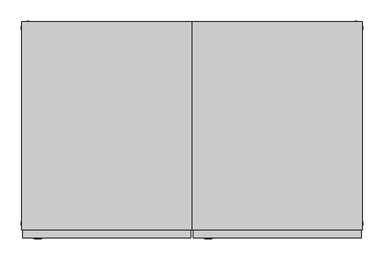
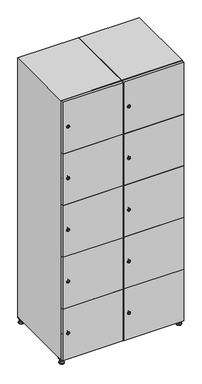
"""IFC4 building model written with IfcOpenShell, lengths in millimetres: furniture geometry."""

from ifc_helpers import new_model, si_unit, point, frame, frame_2d, origin, origin_with_axes, place, context, project, spatial, polyline, circle_curve, trimmed, segment, composite_curve, outline, extrude, faceted_brep, source, transform, mapped, element, save
from ifc_brep_helpers import plane_surface, revolved_surface, advanced_brep


def furniture_cd01f0f2(model_context):
    return source(origin(), model_context, "Body", "SolidModel", [
        extrude(outline(polyline([(600.0, 245.0), (600.0, 215.0), (570.0, 215.0), (570.0, 245.0), (600.0, 245.0)]), holes=[polyline([(598.0, 243.0), (572.0, 243.0), (572.0, 217.0), (598.0, 217.0), (598.0, 243.0)])]), frame((0.0, 0.0, 28.5), z_axis=(0.0, 0.0, 1.0), x_axis=(1.0, 0.0, 0.0)), (0.0, 0.0, 1.0), 6.5),
        extrude(outline(polyline([(570.0, -245.0), (570.0, -215.0), (600.0, -215.0), (600.0, -245.0), (570.0, -245.0)]), holes=[polyline([(572.0, -243.0), (598.0, -243.0), (598.0, -217.0), (572.0, -217.0), (572.0, -243.0)])]), frame((0.0, 0.0, 28.5), z_axis=(0.0, 0.0, 1.0), x_axis=(1.0, 0.0, 0.0)), (0.0, 0.0, 1.0), 6.5),
        extrude(outline(polyline([(-170.0, 245.0), (-170.0, 215.0), (-200.0, 215.0), (-200.0, 245.0), (-170.0, 245.0)]), holes=[polyline([(-172.0, 243.0), (-198.0, 243.0), (-198.0, 217.0), (-172.0, 217.0), (-172.0, 243.0)])]), frame((0.0, 0.0, 28.5), z_axis=(0.0, 0.0, 1.0), x_axis=(1.0, 0.0, 0.0)), (0.0, 0.0, 1.0), 6.5),
        extrude(outline(polyline([(-170.0, -215.0), (-170.0, -245.0), (-200.0, -245.0), (-200.0, -215.0), (-170.0, -215.0)]), holes=[polyline([(-198.0, -243.0), (-172.0, -243.0), (-172.0, -217.0), (-198.0, -217.0), (-198.0, -243.0)])]), frame((0.0, 0.0, 28.5), z_axis=(0.0, 0.0, 1.0), x_axis=(1.0, 0.0, 0.0)), (0.0, 0.0, 1.0), 6.5),
        extrude(outline(composite_curve([segment(trimmed(circle_curve(frame_2d((-185.0, 230.0)), 5.0), [point((-180.0, 230.0))], [point((-190.0, 230.0))], False, "CARTESIAN"), True, "CONTINUOUS"), segment(trimmed(circle_curve(frame_2d((-185.0, 230.0)), 5.0), [point((-190.0, 230.0))], [point((-180.0, 230.0))], False, "CARTESIAN"), True, "CONTINUOUS")], self_intersect=False)), frame((0.0, 0.0, 19.6), z_axis=(0.0, 0.0, 1.0), x_axis=(1.0, 0.0, 0.0)), (0.0, 0.0, 1.0), 15.4),
        extrude(outline(composite_curve([segment(trimmed(circle_curve(frame_2d((-185.0, -230.0)), 5.0), [point((-180.0, -230.0))], [point((-190.0, -230.0))], False, "CARTESIAN"), True, "CONTINUOUS"), segment(trimmed(circle_curve(frame_2d((-185.0, -230.0)), 5.0), [point((-190.0, -230.0))], [point((-180.0, -230.0))], False, "CARTESIAN"), True, "CONTINUOUS")], self_intersect=False)), frame((0.0, 0.0, 19.6), z_axis=(0.0, 0.0, 1.0), x_axis=(1.0, 0.0, 0.0)), (0.0, 0.0, 1.0), 15.4),
        extrude(outline(composite_curve([segment(trimmed(circle_curve(frame_2d((585.0, 230.0)), 5.0), [point((590.0, 230.0))], [point((580.0, 230.0))], False, "CARTESIAN"), True, "CONTINUOUS"), segment(trimmed(circle_curve(frame_2d((585.0, 230.0)), 5.0), [point((580.0, 230.0))], [point((590.0, 230.0))], False, "CARTESIAN"), True, "CONTINUOUS")], self_intersect=False)), frame((0.0, 0.0, 19.6), z_axis=(0.0, 0.0, 1.0), x_axis=(1.0, 0.0, 0.0)), (0.0, 0.0, 1.0), 15.4),
        extrude(outline(polyline([(573.4529946, 230.0), (579.2264973, 240.0), (590.7735027, 240.0), (596.5470054, 230.0), (590.7735027, 220.0), (579.2264973, 220.0), (573.4529946, 230.0)])), frame((0.0, 0.0, 13.6), z_axis=(0.0, 0.0, 1.0), x_axis=(1.0, 0.0, 0.0)), (0.0, 0.0, 1.0), 6.0),
        extrude(outline(composite_curve([segment(trimmed(circle_curve(frame_2d((585.0, -230.0)), 5.0), [point((590.0, -230.0))], [point((580.0, -230.0))], False, "CARTESIAN"), True, "CONTINUOUS"), segment(trimmed(circle_curve(frame_2d((585.0, -230.0)), 5.0), [point((580.0, -230.0))], [point((590.0, -230.0))], False, "CARTESIAN"), True, "CONTINUOUS")], self_intersect=False)), frame((0.0, 0.0, 19.6), z_axis=(0.0, 0.0, 1.0), x_axis=(1.0, 0.0, 0.0)), (0.0, 0.0, 1.0), 15.4),
        extrude(outline(polyline([(573.4529946, -230.0), (579.2264973, -220.0), (590.7735027, -220.0), (596.5470054, -230.0), (590.7735027, -240.0), (579.2264973, -240.0), (573.4529946, -230.0)])), frame((0.0, 0.0, 13.6), z_axis=(0.0, 0.0, 1.0), x_axis=(1.0, 0.0, 0.0)), (0.0, 0.0, 1.0), 6.0),
        extrude(outline(composite_curve([segment(trimmed(circle_curve(frame_2d((585.0, 230.0)), 5.0), [point((590.0, 230.0))], [point((580.0, 230.0))], False, "CARTESIAN"), True, "CONTINUOUS"), segment(trimmed(circle_curve(frame_2d((585.0, 230.0)), 5.0), [point((580.0, 230.0))], [point((590.0, 230.0))], False, "CARTESIAN"), True, "CONTINUOUS")], self_intersect=False)), frame((0.0, 0.0, 12.1), z_axis=(0.0, 0.0, 1.0), x_axis=(1.0, 0.0, 0.0)), (0.0, 0.0, 1.0), 1.5),
        extrude(outline(composite_curve([segment(trimmed(circle_curve(frame_2d((585.0, -230.0)), 5.0), [point((590.0, -230.0))], [point((580.0, -230.0))], False, "CARTESIAN"), True, "CONTINUOUS"), segment(trimmed(circle_curve(frame_2d((585.0, -230.0)), 5.0), [point((580.0, -230.0))], [point((590.0, -230.0))], False, "CARTESIAN"), True, "CONTINUOUS")], self_intersect=False)), frame((0.0, 0.0, 12.1), z_axis=(0.0, 0.0, 1.0), x_axis=(1.0, 0.0, 0.0)), (0.0, 0.0, 1.0), 1.5),
        extrude(outline(polyline([(-196.5470054, 230.0), (-190.7735027, 240.0), (-179.2264973, 240.0), (-173.4529946, 230.0), (-179.2264973, 220.0), (-190.7735027, 220.0), (-196.5470054, 230.0)])), frame((0.0, 0.0, 13.6), z_axis=(0.0, 0.0, 1.0), x_axis=(1.0, 0.0, 0.0)), (0.0, 0.0, 1.0), 6.0),
        extrude(outline(polyline([(-196.5470054, -230.0), (-190.7735027, -220.0), (-179.2264973, -220.0), (-173.4529946, -230.0), (-179.2264973, -240.0), (-190.7735027, -240.0), (-196.5470054, -230.0)])), frame((0.0, 0.0, 13.6), z_axis=(0.0, 0.0, 1.0), x_axis=(1.0, 0.0, 0.0)), (0.0, 0.0, 1.0), 6.0),
        extrude(outline(composite_curve([segment(trimmed(circle_curve(frame_2d((-185.0, 230.0)), 5.0), [point((-185.0, 235.0))], [point((-185.0, 225.0))], False, "CARTESIAN"), True, "CONTINUOUS"), segment(trimmed(circle_curve(frame_2d((-185.0, 230.0)), 5.0), [point((-185.0, 225.0))], [point((-185.0, 235.0))], False, "CARTESIAN"), True, "CONTINUOUS")], self_intersect=False)), frame((0.0, 0.0, 12.1), z_axis=(0.0, 0.0, 1.0), x_axis=(1.0, 0.0, 0.0)), (0.0, 0.0, 1.0), 1.5),
        extrude(outline(composite_curve([segment(trimmed(circle_curve(frame_2d((-185.0, -230.0)), 5.0), [point((-180.0, -230.0))], [point((-190.0, -230.0))], False, "CARTESIAN"), True, "CONTINUOUS"), segment(trimmed(circle_curve(frame_2d((-185.0, -230.0)), 5.0), [point((-190.0, -230.0))], [point((-180.0, -230.0))], False, "CARTESIAN"), True, "CONTINUOUS")], self_intersect=False)), frame((0.0, 0.0, 12.1), z_axis=(0.0, 0.0, 1.0), x_axis=(1.0, 0.0, 0.0)), (0.0, 0.0, 1.0), 1.5),
        extrude(outline(composite_curve([segment(trimmed(circle_curve(frame_2d((585.0, 230.0)), 15.75), [point((600.75, 230.0))], [point((569.25, 230.0))], False, "CARTESIAN"), True, "CONTINUOUS"), segment(trimmed(circle_curve(frame_2d((585.0, 230.0)), 15.75), [point((569.25, 230.0))], [point((600.75, 230.0))], False, "CARTESIAN"), True, "CONTINUOUS")], self_intersect=False)), origin_with_axes(), (0.0, 0.0, 1.0), 5.1),
        extrude(outline(composite_curve([segment(trimmed(circle_curve(frame_2d((585.0, -230.0)), 15.75), [point((585.0, -214.25))], [point((585.0, -245.75))], False, "CARTESIAN"), True, "CONTINUOUS"), segment(trimmed(circle_curve(frame_2d((585.0, -230.0)), 15.75), [point((585.0, -245.75))], [point((585.0, -214.25))], False, "CARTESIAN"), True, "CONTINUOUS")], self_intersect=False)), origin_with_axes(), (0.0, 0.0, 1.0), 5.1),
        extrude(outline(composite_curve([segment(trimmed(circle_curve(frame_2d((-185.0, -230.0)), 15.75), [point((-169.25, -230.0))], [point((-200.75, -230.0))], False, "CARTESIAN"), True, "CONTINUOUS"), segment(trimmed(circle_curve(frame_2d((-185.0, -230.0)), 15.75), [point((-200.75, -230.0))], [point((-169.25, -230.0))], False, "CARTESIAN"), True, "CONTINUOUS")], self_intersect=False)), origin_with_axes(), (0.0, 0.0, 1.0), 5.1),
        extrude(outline(composite_curve([segment(trimmed(circle_curve(frame_2d((-185.0, 230.0)), 15.75), [point((-169.25, 230.0))], [point((-200.75, 230.0))], False, "CARTESIAN"), True, "CONTINUOUS"), segment(trimmed(circle_curve(frame_2d((-185.0, 230.0)), 15.75), [point((-200.75, 230.0))], [point((-169.25, 230.0))], False, "CARTESIAN"), True, "CONTINUOUS")], self_intersect=False)), origin_with_axes(), (0.0, 0.0, 1.0), 5.1),
        advanced_brep(
        [(-185.0, 239.5, 12.1), (-185.0, 220.5, 12.1), (-185.0, 214.25, 5.1), (-185.0, 245.75, 5.1)],
        [
            (0, 1, circle_curve(frame((-185.0, 230.0, 12.1), z_axis=(0.0, 0.0, -1.0), x_axis=(0.0, 1.0, 0.0)), 9.5)),
            (1, 2),
            (2, 3, circle_curve(frame((-185.0, 230.0, 5.1), z_axis=(0.0, 0.0, 1.0), x_axis=(0.0, 1.0, 0.0)), 15.75)),
            (3, 0),
            (1, 0, circle_curve(frame((-185.0, 230.0, 12.1), z_axis=(0.0, 0.0, -1.0), x_axis=(0.0, -1.0, 0.0)), 9.5)),
            (3, 2, circle_curve(frame((-185.0, 230.0, 5.1), z_axis=(0.0, 0.0, 1.0), x_axis=(0.0, -1.0, 0.0)), 15.75)),
        ],
        [
            revolved_surface(polyline([(-185.0, 220.5, 12.099999999999998), (-185.0, 214.25, 5.099999999999998)]), (-185.0, 230.0, 22.74), (0.0, 0.0, -1.0)),
            revolved_surface(polyline([(-185.0, 239.5, 12.099999999999998), (-185.0, 245.75, 5.099999999999998)]), (-185.0, 230.0, 22.74), (0.0, 0.0, -1.0)),
            plane_surface(frame((-185.0, 230.0, 5.1), z_axis=(0.0, 0.0, -1.0), x_axis=(1.0, 0.0, 0.0))),
            plane_surface(frame((-185.0, 230.0, 12.1), z_axis=(0.0, 0.0, 1.0), x_axis=(1.0, 0.0, 0.0))),
        ],
        [
            (0, [[1, 2, 3, 4]]),
            (1, [[5, -4, 6, -2]]),
            (2, [[-3, -6]]),
            (3, [[-5, -1]]),
        ],
    ),
        advanced_brep(
        [(585.0, 239.5, 12.1), (585.0, 220.5, 12.1), (585.0, 214.25, 5.1), (585.0, 245.75, 5.1)],
        [
            (0, 1, circle_curve(frame((585.0, 230.0, 12.1), z_axis=(0.0, 0.0, -1.0), x_axis=(0.0, 1.0, 0.0)), 9.5)),
            (1, 2),
            (2, 3, circle_curve(frame((585.0, 230.0, 5.1), z_axis=(0.0, 0.0, 1.0), x_axis=(0.0, 1.0, 0.0)), 15.75)),
            (3, 0),
            (1, 0, circle_curve(frame((585.0, 230.0, 12.1), z_axis=(0.0, 0.0, -1.0), x_axis=(0.0, -1.0, 0.0)), 9.5)),
            (3, 2, circle_curve(frame((585.0, 230.0, 5.1), z_axis=(0.0, 0.0, 1.0), x_axis=(0.0, -1.0, 0.0)), 15.75)),
        ],
        [
            revolved_surface(polyline([(585.0, 220.5, 12.099999999999998), (585.0, 214.25, 5.099999999999998)]), (585.0, 230.0, 22.74), (0.0, 0.0, -1.0)),
            revolved_surface(polyline([(585.0, 239.5, 12.099999999999998), (585.0, 245.75, 5.099999999999998)]), (585.0, 230.0, 22.74), (0.0, 0.0, -1.0)),
            plane_surface(frame((585.0, 230.0, 5.1), z_axis=(0.0, 0.0, -1.0), x_axis=(1.0, 0.0, 0.0))),
            plane_surface(frame((585.0, 230.0, 12.1), z_axis=(0.0, 0.0, 1.0), x_axis=(1.0, 0.0, 0.0))),
        ],
        [
            (0, [[1, 2, 3, 4]]),
            (1, [[5, -4, 6, -2]]),
            (2, [[-3, -6]]),
            (3, [[-5, -1]]),
        ],
    ),
        advanced_brep(
        [(600.75, -230.0, 5.1), (569.25, -230.0, 5.1), (575.5, -230.0, 12.1), (594.5, -230.0, 12.1)],
        [
            (0, 1, circle_curve(frame((585.0, -230.0, 5.1), z_axis=(0.0, 0.0, 1.0), x_axis=(1.0, 0.0, 0.0)), 15.75)),
            (1, 2),
            (2, 3, circle_curve(frame((585.0, -230.0, 12.1), z_axis=(0.0, 0.0, -1.0), x_axis=(1.0, 0.0, 0.0)), 9.5)),
            (3, 0),
            (1, 0, circle_curve(frame((585.0, -230.0, 5.1), z_axis=(0.0, 0.0, 1.0), x_axis=(-1.0, 0.0, 0.0)), 15.75)),
            (3, 2, circle_curve(frame((585.0, -230.0, 12.1), z_axis=(0.0, 0.0, -1.0), x_axis=(-1.0, 0.0, 0.0)), 9.5)),
        ],
        [
            revolved_surface(polyline([(594.5, -230.0, 12.099999999999998), (600.75, -230.0, 5.099999999999998)]), (585.0, -230.0, 22.74), (0.0, 0.0, -1.0)),
            revolved_surface(polyline([(575.5, -230.0, 12.099999999999998), (569.25, -230.0, 5.099999999999998)]), (585.0, -230.0, 22.74), (0.0, 0.0, -1.0)),
            plane_surface(frame((585.0, -230.0, 12.1), z_axis=(0.0, 0.0, 1.0), x_axis=(0.0, 1.0, 0.0))),
            plane_surface(frame((585.0, -230.0, 5.1), z_axis=(0.0, 0.0, -1.0), x_axis=(0.0, 1.0, 0.0))),
        ],
        [
            (0, [[1, 2, 3, 4]]),
            (1, [[5, -4, 6, -2]]),
            (2, [[-3, -6]]),
            (3, [[-5, -1]]),
        ],
    ),
        advanced_brep(
        [(-169.25, -230.0, 5.1), (-200.75, -230.0, 5.1), (-194.5, -230.0, 12.1), (-175.5, -230.0, 12.1)],
        [
            (0, 1, circle_curve(frame((-185.0, -230.0, 5.1), z_axis=(0.0, 0.0, 1.0), x_axis=(1.0, 0.0, 0.0)), 15.75)),
            (1, 2),
            (2, 3, circle_curve(frame((-185.0, -230.0, 12.1), z_axis=(0.0, 0.0, -1.0), x_axis=(1.0, 0.0, 0.0)), 9.5)),
            (3, 0),
            (1, 0, circle_curve(frame((-185.0, -230.0, 5.1), z_axis=(0.0, 0.0, 1.0), x_axis=(-1.0, 0.0, 0.0)), 15.75)),
            (3, 2, circle_curve(frame((-185.0, -230.0, 12.1), z_axis=(0.0, 0.0, -1.0), x_axis=(-1.0, 0.0, 0.0)), 9.5)),
        ],
        [
            revolved_surface(polyline([(-175.5, -230.0, 12.099999999999998), (-169.25, -230.0, 5.099999999999998)]), (-185.0, -230.0, 22.74), (0.0, 0.0, -1.0)),
            revolved_surface(polyline([(-194.5, -230.0, 12.099999999999998), (-200.75, -230.0, 5.099999999999998)]), (-185.0, -230.0, 22.74), (0.0, 0.0, -1.0)),
            plane_surface(frame((-185.0, -230.0, 12.1), z_axis=(0.0, 0.0, 1.0), x_axis=(0.0, 1.0, 0.0))),
            plane_surface(frame((-185.0, -230.0, 5.1), z_axis=(0.0, 0.0, -1.0), x_axis=(0.0, 1.0, 0.0))),
        ],
        [
            (0, [[1, 2, 3, 4]]),
            (1, [[5, -4, 6, -2]]),
            (2, [[-3, -6]]),
            (3, [[-5, -1]]),
        ],
    ),
        extrude(outline(composite_curve([segment(trimmed(circle_curve(frame_2d((217.4, 211.2010534)), 7.0), [point((224.4, 211.2010534))], [point((210.4, 211.2010534))], False, "CARTESIAN"), True, "CONTINUOUS"), segment(polyline([(210.4, 211.2010534), (210.4, 239.2010534)]), True, "CONTINUOUS"), segment(trimmed(circle_curve(frame_2d((217.4, 239.2010534)), 7.0), [point((210.4, 239.2010534))], [point((224.4, 239.2010534))], False, "CARTESIAN"), True, "CONTINUOUS"), segment(polyline([(224.4, 239.2010534), (224.4, 211.2010534)]), True, "CONTINUOUS")], self_intersect=False)), frame((0.0, -245.0, 0.0), z_axis=(0.0, 1.0, 0.0), x_axis=(0.0, 0.0, 1.0)), (0.0, 0.0, 1.0), 2.0),
        advanced_brep(
        [(246.5, -265.2, 217.4), (229.5, -265.2, 217.4), (233.0, -265.2, 216.15), (233.0, -265.2, 218.65), (243.0, -265.2, 218.65), (243.0, -265.2, 216.15), (248.5, -263.0, 217.4), (227.5, -263.0, 217.4), (233.0, -263.0, 218.65), (233.0, -263.0, 216.15), (243.0, -263.0, 216.15), (243.0, -263.0, 218.65)],
        [
            (0, 1, circle_curve(frame((238.0, -265.2, 217.4), z_axis=(0.0, -1.0, 0.0), x_axis=(1.0, 0.0, 0.0)), 8.5)),
            (1, 0, circle_curve(frame((238.0, -265.2, 217.4), z_axis=(0.0, -1.0, 0.0), x_axis=(-1.0, 0.0, 0.0)), 8.5)),
            (2, 3),
            (3, 4),
            (4, 5),
            (5, 2),
            (6, 7, circle_curve(frame((238.0, -263.0, 217.4), z_axis=(0.0, 1.0, 0.0), x_axis=(-1.0, 0.0, 0.0)), 10.5)),
            (7, 6, circle_curve(frame((238.0, -263.0, 217.4), z_axis=(0.0, 1.0, 0.0), x_axis=(1.0, 0.0, 0.0)), 10.5)),
            (8, 9),
            (9, 10),
            (10, 11),
            (11, 8),
            (0, 6),
            (7, 1),
            (8, 3),
            (2, 9),
            (11, 4),
            (10, 5),
        ],
        [
            plane_surface(frame((238.0, -265.2, 217.4), z_axis=(0.0, -1.0, 0.0), x_axis=(0.0, 0.0, 1.0))),
            plane_surface(frame((238.0, -263.0, 217.4), z_axis=(0.0, 1.0, 0.0), x_axis=(0.0, 0.0, 1.0))),
            revolved_surface(polyline([(246.5, -265.2, 217.4), (248.5, -263.0, 217.4)]), (238.0, -274.55, 217.4), (0.0, 1.0, 0.0)),
            revolved_surface(polyline([(229.5, -265.2, 217.4), (227.5, -263.0, 217.4)]), (238.0, -274.55, 217.4), (0.0, 1.0, 0.0)),
            plane_surface(frame((233.0, -263.0, 216.15), z_axis=(1.0, 0.0, 0.0), x_axis=(0.0, -1.0, 0.0))),
            plane_surface(frame((233.0, -263.0, 218.65), z_axis=(0.0, 0.0, -1.0), x_axis=(0.0, -1.0, 0.0))),
            plane_surface(frame((243.0, -263.0, 218.65), z_axis=(-1.0, 0.0, 0.0), x_axis=(0.0, -1.0, 0.0))),
            plane_surface(frame((243.0, -263.0, 216.15), z_axis=(0.0, 0.0, 1.0), x_axis=(0.0, -1.0, 0.0))),
        ],
        [
            (0, [[1, 2], [3, 4, 5, 6]]),
            (1, [[7, 8], [9, 10, 11, 12]]),
            (2, [[-1, 13, -8, 14]]),
            (3, [[-2, -14, -7, -13]]),
            (4, [[15, -3, 16, -9]]),
            (5, [[-15, -12, 17, -4]]),
            (6, [[-17, -11, 18, -5]]),
            (7, [[-16, -6, -18, -10]]),
        ],
    ),
        extrude(outline(composite_curve([segment(trimmed(circle_curve(frame_2d((576.2, 211.2010534)), 7.0), [point((583.2, 211.2010534))], [point((569.2, 211.2010534))], False, "CARTESIAN"), True, "CONTINUOUS"), segment(polyline([(569.2, 211.2010534), (569.2, 239.2010534)]), True, "CONTINUOUS"), segment(trimmed(circle_curve(frame_2d((576.2, 239.2010534)), 7.0), [point((569.2, 239.2010534))], [point((583.2, 239.2010534))], False, "CARTESIAN"), True, "CONTINUOUS"), segment(polyline([(583.2, 239.2010534), (583.2, 211.2010534)]), True, "CONTINUOUS")], self_intersect=False)), frame((0.0, -245.0, 0.0), z_axis=(0.0, 1.0, 0.0), x_axis=(0.0, 0.0, 1.0)), (0.0, 0.0, 1.0), 2.0),
        advanced_brep(
        [(246.5, -265.2, 576.2), (229.5, -265.2, 576.2), (233.0, -265.2, 574.95), (233.0, -265.2, 577.45), (243.0, -265.2, 577.45), (243.0, -265.2, 574.95), (248.5, -263.0, 576.2), (227.5, -263.0, 576.2), (233.0, -263.0, 577.45), (233.0, -263.0, 574.95), (243.0, -263.0, 574.95), (243.0, -263.0, 577.45)],
        [
            (0, 1, circle_curve(frame((238.0, -265.2, 576.2), z_axis=(0.0, -1.0, 0.0), x_axis=(1.0, 0.0, 0.0)), 8.5)),
            (1, 0, circle_curve(frame((238.0, -265.2, 576.2), z_axis=(0.0, -1.0, 0.0), x_axis=(-1.0, 0.0, 0.0)), 8.5)),
            (2, 3),
            (3, 4),
            (4, 5),
            (5, 2),
            (6, 7, circle_curve(frame((238.0, -263.0, 576.2), z_axis=(0.0, 1.0, 0.0), x_axis=(-1.0, 0.0, 0.0)), 10.5)),
            (7, 6, circle_curve(frame((238.0, -263.0, 576.2), z_axis=(0.0, 1.0, 0.0), x_axis=(1.0, 0.0, 0.0)), 10.5)),
            (8, 9),
            (9, 10),
            (10, 11),
            (11, 8),
            (0, 6),
            (7, 1),
            (8, 3),
            (2, 9),
            (11, 4),
            (10, 5),
        ],
        [
            plane_surface(frame((238.0, -265.2, 576.2), z_axis=(0.0, -1.0, 0.0), x_axis=(0.0, 0.0, 1.0))),
            plane_surface(frame((238.0, -263.0, 576.2), z_axis=(0.0, 1.0, 0.0), x_axis=(0.0, 0.0, 1.0))),
            revolved_surface(polyline([(246.5, -265.2, 576.2), (248.5, -263.0, 576.2)]), (238.0, -274.55, 576.2), (0.0, 1.0, 0.0)),
            revolved_surface(polyline([(229.5, -265.2, 576.2), (227.5, -263.0, 576.2)]), (238.0, -274.55, 576.2), (0.0, 1.0, 0.0)),
            plane_surface(frame((233.0, -263.0, 574.95), z_axis=(1.0, 0.0, 0.0), x_axis=(0.0, -1.0, 0.0))),
            plane_surface(frame((233.0, -263.0, 577.45), z_axis=(0.0, 0.0, -1.0), x_axis=(0.0, -1.0, 0.0))),
            plane_surface(frame((243.0, -263.0, 577.45), z_axis=(-1.0, 0.0, 0.0), x_axis=(0.0, -1.0, 0.0))),
            plane_surface(frame((243.0, -263.0, 574.95), z_axis=(0.0, 0.0, 1.0), x_axis=(0.0, -1.0, 0.0))),
        ],
        [
            (0, [[1, 2], [3, 4, 5, 6]]),
            (1, [[7, 8], [9, 10, 11, 12]]),
            (2, [[-1, 13, -8, 14]]),
            (3, [[-2, -14, -7, -13]]),
            (4, [[15, -3, 16, -9]]),
            (5, [[-15, -12, 17, -4]]),
            (6, [[-17, -11, 18, -5]]),
            (7, [[-16, -6, -18, -10]]),
        ],
    ),
        extrude(outline(composite_curve([segment(trimmed(circle_curve(frame_2d((935.0, 211.2010534)), 7.0), [point((942.0, 211.2010534))], [point((928.0, 211.2010534))], False, "CARTESIAN"), True, "CONTINUOUS"), segment(polyline([(928.0, 211.2010534), (928.0, 239.2010534)]), True, "CONTINUOUS"), segment(trimmed(circle_curve(frame_2d((935.0, 239.2010534)), 7.0), [point((928.0, 239.2010534))], [point((942.0, 239.2010534))], False, "CARTESIAN"), True, "CONTINUOUS"), segment(polyline([(942.0, 239.2010534), (942.0, 211.2010534)]), True, "CONTINUOUS")], self_intersect=False)), frame((0.0, -245.0, 0.0), z_axis=(0.0, 1.0, 0.0), x_axis=(0.0, 0.0, 1.0)), (0.0, 0.0, 1.0), 2.0),
        advanced_brep(
        [(246.5, -265.2, 935.0), (229.5, -265.2, 935.0), (233.0, -265.2, 933.75), (233.0, -265.2, 936.25), (243.0, -265.2, 936.25), (243.0, -265.2, 933.75), (248.5, -263.0, 935.0), (227.5, -263.0, 935.0), (233.0, -263.0, 936.25), (233.0, -263.0, 933.75), (243.0, -263.0, 933.75), (243.0, -263.0, 936.25)],
        [
            (0, 1, circle_curve(frame((238.0, -265.2, 935.0), z_axis=(0.0, -1.0, 0.0), x_axis=(1.0, 0.0, 0.0)), 8.5)),
            (1, 0, circle_curve(frame((238.0, -265.2, 935.0), z_axis=(0.0, -1.0, 0.0), x_axis=(-1.0, 0.0, 0.0)), 8.5)),
            (2, 3),
            (3, 4),
            (4, 5),
            (5, 2),
            (6, 7, circle_curve(frame((238.0, -263.0, 935.0), z_axis=(0.0, 1.0, 0.0), x_axis=(-1.0, 0.0, 0.0)), 10.5)),
            (7, 6, circle_curve(frame((238.0, -263.0, 935.0), z_axis=(0.0, 1.0, 0.0), x_axis=(1.0, 0.0, 0.0)), 10.5)),
            (8, 9),
            (9, 10),
            (10, 11),
            (11, 8),
            (0, 6),
            (7, 1),
            (8, 3),
            (2, 9),
            (11, 4),
            (10, 5),
        ],
        [
            plane_surface(frame((238.0, -265.2, 935.0), z_axis=(0.0, -1.0, 0.0), x_axis=(0.0, 0.0, 1.0))),
            plane_surface(frame((238.0, -263.0, 935.0), z_axis=(0.0, 1.0, 0.0), x_axis=(0.0, 0.0, 1.0))),
            revolved_surface(polyline([(246.5, -265.2, 935.0), (248.5, -263.0, 935.0)]), (238.0, -274.55, 935.0), (0.0, 1.0, 0.0)),
            revolved_surface(polyline([(229.5, -265.2, 935.0), (227.5, -263.0, 935.0)]), (238.0, -274.55, 935.0), (0.0, 1.0, 0.0)),
            plane_surface(frame((233.0, -263.0, 933.75), z_axis=(1.0, 0.0, 0.0), x_axis=(0.0, -1.0, 0.0))),
            plane_surface(frame((233.0, -263.0, 936.25), z_axis=(0.0, 0.0, -1.0), x_axis=(0.0, -1.0, 0.0))),
            plane_surface(frame((243.0, -263.0, 936.25), z_axis=(-1.0, 0.0, 0.0), x_axis=(0.0, -1.0, 0.0))),
            plane_surface(frame((243.0, -263.0, 933.75), z_axis=(0.0, 0.0, 1.0), x_axis=(0.0, -1.0, 0.0))),
        ],
        [
            (0, [[1, 2], [3, 4, 5, 6]]),
            (1, [[7, 8], [9, 10, 11, 12]]),
            (2, [[-1, 13, -8, 14]]),
            (3, [[-2, -14, -7, -13]]),
            (4, [[15, -3, 16, -9]]),
            (5, [[-15, -12, 17, -4]]),
            (6, [[-17, -11, 18, -5]]),
            (7, [[-16, -6, -18, -10]]),
        ],
    ),
        extrude(outline(composite_curve([segment(trimmed(circle_curve(frame_2d((1293.8, 211.2010534)), 7.0), [point((1300.8, 211.2010534))], [point((1286.8, 211.2010534))], False, "CARTESIAN"), True, "CONTINUOUS"), segment(polyline([(1286.8, 211.2010534), (1286.8, 239.2010534)]), True, "CONTINUOUS"), segment(trimmed(circle_curve(frame_2d((1293.8, 239.2010534)), 7.0), [point((1286.8, 239.2010534))], [point((1300.8, 239.2010534))], False, "CARTESIAN"), True, "CONTINUOUS"), segment(polyline([(1300.8, 239.2010534), (1300.8, 211.2010534)]), True, "CONTINUOUS")], self_intersect=False)), frame((0.0, -245.0, 0.0), z_axis=(0.0, 1.0, 0.0), x_axis=(0.0, 0.0, 1.0)), (0.0, 0.0, 1.0), 2.0),
        advanced_brep(
        [(246.5, -265.2, 1293.8), (229.5, -265.2, 1293.8), (233.0, -265.2, 1292.55), (233.0, -265.2, 1295.05), (243.0, -265.2, 1295.05), (243.0, -265.2, 1292.55), (248.5, -263.0, 1293.8), (227.5, -263.0, 1293.8), (233.0, -263.0, 1295.05), (233.0, -263.0, 1292.55), (243.0, -263.0, 1292.55), (243.0, -263.0, 1295.05)],
        [
            (0, 1, circle_curve(frame((238.0, -265.2, 1293.8), z_axis=(0.0, -1.0, 0.0), x_axis=(1.0, 0.0, 0.0)), 8.5)),
            (1, 0, circle_curve(frame((238.0, -265.2, 1293.8), z_axis=(0.0, -1.0, 0.0), x_axis=(-1.0, 0.0, 0.0)), 8.5)),
            (2, 3),
            (3, 4),
            (4, 5),
            (5, 2),
            (6, 7, circle_curve(frame((238.0, -263.0, 1293.8), z_axis=(0.0, 1.0, 0.0), x_axis=(-1.0, 0.0, 0.0)), 10.5)),
            (7, 6, circle_curve(frame((238.0, -263.0, 1293.8), z_axis=(0.0, 1.0, 0.0), x_axis=(1.0, 0.0, 0.0)), 10.5)),
            (8, 9),
            (9, 10),
            (10, 11),
            (11, 8),
            (0, 6),
            (7, 1),
            (8, 3),
            (2, 9),
            (11, 4),
            (10, 5),
        ],
        [
            plane_surface(frame((238.0, -265.2, 1293.8), z_axis=(0.0, -1.0, 0.0), x_axis=(0.0, 0.0, 1.0))),
            plane_surface(frame((238.0, -263.0, 1293.8), z_axis=(0.0, 1.0, 0.0), x_axis=(0.0, 0.0, 1.0))),
            revolved_surface(polyline([(246.5, -265.2, 1293.8), (248.5, -263.0, 1293.8)]), (238.0, -274.55, 1293.8), (0.0, 1.0, 0.0)),
            revolved_surface(polyline([(229.5, -265.2, 1293.8), (227.5, -263.0, 1293.8)]), (238.0, -274.55, 1293.8), (0.0, 1.0, 0.0)),
            plane_surface(frame((233.0, -263.0, 1292.55), z_axis=(1.0, 0.0, 0.0), x_axis=(0.0, -1.0, 0.0))),
            plane_surface(frame((233.0, -263.0, 1295.05), z_axis=(0.0, 0.0, -1.0), x_axis=(0.0, -1.0, 0.0))),
            plane_surface(frame((243.0, -263.0, 1295.05), z_axis=(-1.0, 0.0, 0.0), x_axis=(0.0, -1.0, 0.0))),
            plane_surface(frame((243.0, -263.0, 1292.55), z_axis=(0.0, 0.0, 1.0), x_axis=(0.0, -1.0, 0.0))),
        ],
        [
            (0, [[1, 2], [3, 4, 5, 6]]),
            (1, [[7, 8], [9, 10, 11, 12]]),
            (2, [[-1, 13, -8, 14]]),
            (3, [[-2, -14, -7, -13]]),
            (4, [[15, -3, 16, -9]]),
            (5, [[-15, -12, 17, -4]]),
            (6, [[-17, -11, 18, -5]]),
            (7, [[-16, -6, -18, -10]]),
        ],
    ),
        extrude(outline(composite_curve([segment(trimmed(circle_curve(frame_2d((1652.6, 211.2010534)), 7.0), [point((1659.6, 211.2010534))], [point((1645.6, 211.2010534))], False, "CARTESIAN"), True, "CONTINUOUS"), segment(polyline([(1645.6, 211.2010534), (1645.6, 239.2010534)]), True, "CONTINUOUS"), segment(trimmed(circle_curve(frame_2d((1652.6, 239.2010534)), 7.0), [point((1645.6, 239.2010534))], [point((1659.6, 239.2010534))], False, "CARTESIAN"), True, "CONTINUOUS"), segment(polyline([(1659.6, 239.2010534), (1659.6, 211.2010534)]), True, "CONTINUOUS")], self_intersect=False)), frame((0.0, -245.0, 0.0), z_axis=(0.0, 1.0, 0.0), x_axis=(0.0, 0.0, 1.0)), (0.0, 0.0, 1.0), 2.0),
        advanced_brep(
        [(246.5, -265.2, 1652.6), (229.5, -265.2, 1652.6), (233.0, -265.2, 1651.35), (233.0, -265.2, 1653.85), (243.0, -265.2, 1653.85), (243.0, -265.2, 1651.35), (248.5, -263.0, 1652.6), (227.5, -263.0, 1652.6), (233.0, -263.0, 1653.85), (233.0, -263.0, 1651.35), (243.0, -263.0, 1651.35), (243.0, -263.0, 1653.85)],
        [
            (0, 1, circle_curve(frame((238.0, -265.2, 1652.6), z_axis=(0.0, -1.0, 0.0), x_axis=(1.0, 0.0, 0.0)), 8.5)),
            (1, 0, circle_curve(frame((238.0, -265.2, 1652.6), z_axis=(0.0, -1.0, 0.0), x_axis=(-1.0, 0.0, 0.0)), 8.5)),
            (2, 3),
            (3, 4),
            (4, 5),
            (5, 2),
            (6, 7, circle_curve(frame((238.0, -263.0, 1652.6), z_axis=(0.0, 1.0, 0.0), x_axis=(-1.0, 0.0, 0.0)), 10.5)),
            (7, 6, circle_curve(frame((238.0, -263.0, 1652.6), z_axis=(0.0, 1.0, 0.0), x_axis=(1.0, 0.0, 0.0)), 10.5)),
            (8, 9),
            (9, 10),
            (10, 11),
            (11, 8),
            (0, 6),
            (7, 1),
            (8, 3),
            (2, 9),
            (11, 4),
            (10, 5),
        ],
        [
            plane_surface(frame((238.0, -265.2, 1652.6), z_axis=(0.0, -1.0, 0.0), x_axis=(0.0, 0.0, 1.0))),
            plane_surface(frame((238.0, -263.0, 1652.6), z_axis=(0.0, 1.0, 0.0), x_axis=(0.0, 0.0, 1.0))),
            revolved_surface(polyline([(246.5, -265.2, 1652.6), (248.5, -263.0, 1652.6)]), (238.0, -274.55, 1652.6), (0.0, 1.0, 0.0)),
            revolved_surface(polyline([(229.5, -265.2, 1652.6), (227.5, -263.0, 1652.6)]), (238.0, -274.55, 1652.6), (0.0, 1.0, 0.0)),
            plane_surface(frame((233.0, -263.0, 1651.35), z_axis=(1.0, 0.0, 0.0), x_axis=(0.0, -1.0, 0.0))),
            plane_surface(frame((233.0, -263.0, 1653.85), z_axis=(0.0, 0.0, -1.0), x_axis=(0.0, -1.0, 0.0))),
            plane_surface(frame((243.0, -263.0, 1653.85), z_axis=(-1.0, 0.0, 0.0), x_axis=(0.0, -1.0, 0.0))),
            plane_surface(frame((243.0, -263.0, 1651.35), z_axis=(0.0, 0.0, 1.0), x_axis=(0.0, -1.0, 0.0))),
        ],
        [
            (0, [[1, 2], [3, 4, 5, 6]]),
            (1, [[7, 8], [9, 10, 11, 12]]),
            (2, [[-1, 13, -8, 14]]),
            (3, [[-2, -14, -7, -13]]),
            (4, [[15, -3, 16, -9]]),
            (5, [[-15, -12, 17, -4]]),
            (6, [[-17, -11, 18, -5]]),
            (7, [[-16, -6, -18, -10]]),
        ],
    ),
        extrude(outline(polyline([(597.0, -245.0), (597.0, -263.0), (203.0, -263.0), (203.0, -245.0), (597.0, -245.0)])), frame((0.0, 0.0, 755.1), z_axis=(0.0, 0.0, 1.0), x_axis=(1.0, 0.0, 0.0)), (0.0, 0.0, 1.0), 359.8),
        extrude(outline(polyline([(597.0, -245.0), (597.0, -263.0), (203.0, -263.0), (203.0, -245.0), (597.0, -245.0)])), frame((0.0, 0.0, 396.3), z_axis=(0.0, 0.0, 1.0), x_axis=(1.0, 0.0, 0.0)), (0.0, 0.0, 1.0), 359.8),
        extrude(outline(polyline([(597.0, -245.0), (597.0, -263.0), (203.0, -263.0), (203.0, -245.0), (597.0, -245.0)])), frame((0.0, 0.0, 1113.9), z_axis=(0.0, 0.0, 1.0), x_axis=(1.0, 0.0, 0.0)), (0.0, 0.0, 1.0), 358.8),
        extrude(outline(polyline([(203.0, -263.0), (203.0, -245.0), (597.0, -245.0), (597.0, -263.0), (203.0, -263.0)])), frame((0.0, 0.0, 1473.7), z_axis=(0.0, 0.0, 1.0), x_axis=(1.0, 0.0, 0.0)), (0.0, 0.0, 1.0), 358.3),
        extrude(outline(polyline([(597.0, -245.0), (597.0, -263.0), (203.0, -263.0), (203.0, -245.0), (597.0, -245.0)])), frame((0.0, 0.0, 38.0), z_axis=(0.0, 0.0, 1.0), x_axis=(1.0, 0.0, 0.0)), (0.0, 0.0, 1.0), 359.3),
        extrude(outline(polyline([(579.6, 242.0), (579.6, -227.0), (220.4, -227.0), (220.4, 242.0), (579.6, 242.0)])), frame((0.0, 0.0, 1446.68), z_axis=(0.0, 0.0, 1.0), x_axis=(1.0, 0.0, 0.0)), (0.0, 0.0, 1.0), 20.4),
        extrude(outline(polyline([(579.6, 242.0), (579.6, -227.0), (220.4, -227.0), (220.4, 242.0), (579.6, 242.0)])), frame((0.0, 0.0, 1098.76), z_axis=(0.0, 0.0, 1.0), x_axis=(1.0, 0.0, 0.0)), (0.0, 0.0, 1.0), 20.4),
        extrude(outline(polyline([(579.6, 242.0), (579.6, -227.0), (220.4, -227.0), (220.4, 242.0), (579.6, 242.0)])), frame((0.0, 0.0, 750.84), z_axis=(0.0, 0.0, 1.0), x_axis=(1.0, 0.0, 0.0)), (0.0, 0.0, 1.0), 20.4),
        extrude(outline(polyline([(220.4, 242.0), (579.6, 242.0), (579.6, -227.0), (220.4, -227.0), (220.4, 242.0)])), frame((0.0, 0.0, 402.92), z_axis=(0.0, 0.0, 1.0), x_axis=(1.0, 0.0, 0.0)), (0.0, 0.0, 1.0), 20.4),
        faceted_brep([(600.0, -245.0, 35.0), (600.0, -245.0, 1835.0), (200.0, -245.0, 1835.0), (200.0, -245.0, 35.0), (579.6, -245.0, 1804.8), (579.6, -245.0, 65.2), (220.4, -245.0, 65.2), (220.4, -245.0, 1804.8), (600.0, 245.0, 35.0), (200.0, 245.0, 35.0), (600.0, 245.0, 1835.0), (200.0, 245.0, 1835.0), (579.6, 242.0, 1804.8), (579.6, 242.0, 65.2), (200.0, 245.0, 1804.8), (220.4, 242.0, 1804.8), (220.4, 242.0, 65.2)], [[[0, 1, 2, 3], [4, 5, 6, 7]], [[8, 0, 3, 9]], [[1, 0, 8, 10]], [[1, 10, 11, 2]], [[4, 12, 13, 5]], [[9, 3, 2, 11, 14]], [[10, 8, 9, 14, 11]], [[12, 15, 16, 13]], [[15, 7, 6, 16]], [[4, 7, 15, 12]], [[6, 5, 13, 16]]]),
        extrude(outline(composite_curve([segment(trimmed(circle_curve(frame_2d((217.4, -188.7989466)), 7.0), [point((224.4, -188.7989466))], [point((210.4, -188.7989466))], False, "CARTESIAN"), True, "CONTINUOUS"), segment(polyline([(210.4, -188.7989466), (210.4, -160.7989466)]), True, "CONTINUOUS"), segment(trimmed(circle_curve(frame_2d((217.4, -160.7989466)), 7.0), [point((210.4, -160.7989466))], [point((224.4, -160.7989466))], False, "CARTESIAN"), True, "CONTINUOUS"), segment(polyline([(224.4, -160.7989466), (224.4, -188.7989466)]), True, "CONTINUOUS")], self_intersect=False)), frame((0.0, -245.0, 0.0), z_axis=(0.0, 1.0, 0.0), x_axis=(0.0, 0.0, 1.0)), (0.0, 0.0, 1.0), 2.0),
        advanced_brep(
        [(-153.5, -265.2, 217.4), (-170.5, -265.2, 217.4), (-167.0, -265.2, 216.15), (-167.0, -265.2, 218.65), (-157.0, -265.2, 218.65), (-157.0, -265.2, 216.15), (-151.5, -263.0, 217.4), (-172.5, -263.0, 217.4), (-167.0, -263.0, 218.65), (-167.0, -263.0, 216.15), (-157.0, -263.0, 216.15), (-157.0, -263.0, 218.65)],
        [
            (0, 1, circle_curve(frame((-162.0, -265.2, 217.4), z_axis=(0.0, -1.0, 0.0), x_axis=(1.0, 0.0, 0.0)), 8.5)),
            (1, 0, circle_curve(frame((-162.0, -265.2, 217.4), z_axis=(0.0, -1.0, 0.0), x_axis=(-1.0, 0.0, 0.0)), 8.5)),
            (2, 3),
            (3, 4),
            (4, 5),
            (5, 2),
            (6, 7, circle_curve(frame((-162.0, -263.0, 217.4), z_axis=(0.0, 1.0, 0.0), x_axis=(-1.0, 0.0, 0.0)), 10.5)),
            (7, 6, circle_curve(frame((-162.0, -263.0, 217.4), z_axis=(0.0, 1.0, 0.0), x_axis=(1.0, 0.0, 0.0)), 10.5)),
            (8, 9),
            (9, 10),
            (10, 11),
            (11, 8),
            (0, 6),
            (7, 1),
            (8, 3),
            (2, 9),
            (11, 4),
            (10, 5),
        ],
        [
            plane_surface(frame((-162.0, -265.2, 217.4), z_axis=(0.0, -1.0, 0.0), x_axis=(0.0, 0.0, 1.0))),
            plane_surface(frame((-162.0, -263.0, 217.4), z_axis=(0.0, 1.0, 0.0), x_axis=(0.0, 0.0, 1.0))),
            revolved_surface(polyline([(-153.5, -265.2, 217.4), (-151.5, -263.0, 217.4)]), (-162.0, -274.55, 217.4), (0.0, 1.0, 0.0)),
            revolved_surface(polyline([(-170.5, -265.2, 217.4), (-172.5, -263.0, 217.4)]), (-162.0, -274.55, 217.4), (0.0, 1.0, 0.0)),
            plane_surface(frame((-167.0, -263.0, 216.15), z_axis=(1.0, 0.0, 0.0), x_axis=(0.0, -1.0, 0.0))),
            plane_surface(frame((-167.0, -263.0, 218.65), z_axis=(0.0, 0.0, -1.0), x_axis=(0.0, -1.0, 0.0))),
            plane_surface(frame((-157.0, -263.0, 218.65), z_axis=(-1.0, 0.0, 0.0), x_axis=(0.0, -1.0, 0.0))),
            plane_surface(frame((-157.0, -263.0, 216.15), z_axis=(0.0, 0.0, 1.0), x_axis=(0.0, -1.0, 0.0))),
        ],
        [
            (0, [[1, 2], [3, 4, 5, 6]]),
            (1, [[7, 8], [9, 10, 11, 12]]),
            (2, [[-1, 13, -8, 14]]),
            (3, [[-2, -14, -7, -13]]),
            (4, [[15, -3, 16, -9]]),
            (5, [[-15, -12, 17, -4]]),
            (6, [[-17, -11, 18, -5]]),
            (7, [[-16, -6, -18, -10]]),
        ],
    ),
        extrude(outline(composite_curve([segment(trimmed(circle_curve(frame_2d((576.2, -188.7989466)), 7.0), [point((583.2, -188.7989466))], [point((569.2, -188.7989466))], False, "CARTESIAN"), True, "CONTINUOUS"), segment(polyline([(569.2, -188.7989466), (569.2, -160.7989466)]), True, "CONTINUOUS"), segment(trimmed(circle_curve(frame_2d((576.2, -160.7989466)), 7.0), [point((569.2, -160.7989466))], [point((583.2, -160.7989466))], False, "CARTESIAN"), True, "CONTINUOUS"), segment(polyline([(583.2, -160.7989466), (583.2, -188.7989466)]), True, "CONTINUOUS")], self_intersect=False)), frame((0.0, -245.0, 0.0), z_axis=(0.0, 1.0, 0.0), x_axis=(0.0, 0.0, 1.0)), (0.0, 0.0, 1.0), 2.0),
        advanced_brep(
        [(-153.5, -265.2, 576.2), (-170.5, -265.2, 576.2), (-167.0, -265.2, 574.95), (-167.0, -265.2, 577.45), (-157.0, -265.2, 577.45), (-157.0, -265.2, 574.95), (-151.5, -263.0, 576.2), (-172.5, -263.0, 576.2), (-167.0, -263.0, 577.45), (-167.0, -263.0, 574.95), (-157.0, -263.0, 574.95), (-157.0, -263.0, 577.45)],
        [
            (0, 1, circle_curve(frame((-162.0, -265.2, 576.2), z_axis=(0.0, -1.0, 0.0), x_axis=(1.0, 0.0, 0.0)), 8.5)),
            (1, 0, circle_curve(frame((-162.0, -265.2, 576.2), z_axis=(0.0, -1.0, 0.0), x_axis=(-1.0, 0.0, 0.0)), 8.5)),
            (2, 3),
            (3, 4),
            (4, 5),
            (5, 2),
            (6, 7, circle_curve(frame((-162.0, -263.0, 576.2), z_axis=(0.0, 1.0, 0.0), x_axis=(-1.0, 0.0, 0.0)), 10.5)),
            (7, 6, circle_curve(frame((-162.0, -263.0, 576.2), z_axis=(0.0, 1.0, 0.0), x_axis=(1.0, 0.0, 0.0)), 10.5)),
            (8, 9),
            (9, 10),
            (10, 11),
            (11, 8),
            (0, 6),
            (7, 1),
            (8, 3),
            (2, 9),
            (11, 4),
            (10, 5),
        ],
        [
            plane_surface(frame((-162.0, -265.2, 576.2), z_axis=(0.0, -1.0, 0.0), x_axis=(0.0, 0.0, 1.0))),
            plane_surface(frame((-162.0, -263.0, 576.2), z_axis=(0.0, 1.0, 0.0), x_axis=(0.0, 0.0, 1.0))),
            revolved_surface(polyline([(-153.5, -265.2, 576.2), (-151.5, -263.0, 576.2)]), (-162.0, -274.55, 576.2), (0.0, 1.0, 0.0)),
            revolved_surface(polyline([(-170.5, -265.2, 576.2), (-172.5, -263.0, 576.2)]), (-162.0, -274.55, 576.2), (0.0, 1.0, 0.0)),
            plane_surface(frame((-167.0, -263.0, 574.95), z_axis=(1.0, 0.0, 0.0), x_axis=(0.0, -1.0, 0.0))),
            plane_surface(frame((-167.0, -263.0, 577.45), z_axis=(0.0, 0.0, -1.0), x_axis=(0.0, -1.0, 0.0))),
            plane_surface(frame((-157.0, -263.0, 577.45), z_axis=(-1.0, 0.0, 0.0), x_axis=(0.0, -1.0, 0.0))),
            plane_surface(frame((-157.0, -263.0, 574.95), z_axis=(0.0, 0.0, 1.0), x_axis=(0.0, -1.0, 0.0))),
        ],
        [
            (0, [[1, 2], [3, 4, 5, 6]]),
            (1, [[7, 8], [9, 10, 11, 12]]),
            (2, [[-1, 13, -8, 14]]),
            (3, [[-2, -14, -7, -13]]),
            (4, [[15, -3, 16, -9]]),
            (5, [[-15, -12, 17, -4]]),
            (6, [[-17, -11, 18, -5]]),
            (7, [[-16, -6, -18, -10]]),
        ],
    ),
        extrude(outline(composite_curve([segment(trimmed(circle_curve(frame_2d((935.0, -188.7989466)), 7.0), [point((942.0, -188.7989466))], [point((928.0, -188.7989466))], False, "CARTESIAN"), True, "CONTINUOUS"), segment(polyline([(928.0, -188.7989466), (928.0, -160.7989466)]), True, "CONTINUOUS"), segment(trimmed(circle_curve(frame_2d((935.0, -160.7989466)), 7.0), [point((928.0, -160.7989466))], [point((942.0, -160.7989466))], False, "CARTESIAN"), True, "CONTINUOUS"), segment(polyline([(942.0, -160.7989466), (942.0, -188.7989466)]), True, "CONTINUOUS")], self_intersect=False)), frame((0.0, -245.0, 0.0), z_axis=(0.0, 1.0, 0.0), x_axis=(0.0, 0.0, 1.0)), (0.0, 0.0, 1.0), 2.0),
        advanced_brep(
        [(-153.5, -265.2, 935.0), (-170.5, -265.2, 935.0), (-167.0, -265.2, 933.75), (-167.0, -265.2, 936.25), (-157.0, -265.2, 936.25), (-157.0, -265.2, 933.75), (-151.5, -263.0, 935.0), (-172.5, -263.0, 935.0), (-167.0, -263.0, 936.25), (-167.0, -263.0, 933.75), (-157.0, -263.0, 933.75), (-157.0, -263.0, 936.25)],
        [
            (0, 1, circle_curve(frame((-162.0, -265.2, 935.0), z_axis=(0.0, -1.0, 0.0), x_axis=(1.0, 0.0, 0.0)), 8.5)),
            (1, 0, circle_curve(frame((-162.0, -265.2, 935.0), z_axis=(0.0, -1.0, 0.0), x_axis=(-1.0, 0.0, 0.0)), 8.5)),
            (2, 3),
            (3, 4),
            (4, 5),
            (5, 2),
            (6, 7, circle_curve(frame((-162.0, -263.0, 935.0), z_axis=(0.0, 1.0, 0.0), x_axis=(-1.0, 0.0, 0.0)), 10.5)),
            (7, 6, circle_curve(frame((-162.0, -263.0, 935.0), z_axis=(0.0, 1.0, 0.0), x_axis=(1.0, 0.0, 0.0)), 10.5)),
            (8, 9),
            (9, 10),
            (10, 11),
            (11, 8),
            (0, 6),
            (7, 1),
            (8, 3),
            (2, 9),
            (11, 4),
            (10, 5),
        ],
        [
            plane_surface(frame((-162.0, -265.2, 935.0), z_axis=(0.0, -1.0, 0.0), x_axis=(0.0, 0.0, 1.0))),
            plane_surface(frame((-162.0, -263.0, 935.0), z_axis=(0.0, 1.0, 0.0), x_axis=(0.0, 0.0, 1.0))),
            revolved_surface(polyline([(-153.5, -265.2, 935.0), (-151.5, -263.0, 935.0)]), (-162.0, -274.55, 935.0), (0.0, 1.0, 0.0)),
            revolved_surface(polyline([(-170.5, -265.2, 935.0), (-172.5, -263.0, 935.0)]), (-162.0, -274.55, 935.0), (0.0, 1.0, 0.0)),
            plane_surface(frame((-167.0, -263.0, 933.75), z_axis=(1.0, 0.0, 0.0), x_axis=(0.0, -1.0, 0.0))),
            plane_surface(frame((-167.0, -263.0, 936.25), z_axis=(0.0, 0.0, -1.0), x_axis=(0.0, -1.0, 0.0))),
            plane_surface(frame((-157.0, -263.0, 936.25), z_axis=(-1.0, 0.0, 0.0), x_axis=(0.0, -1.0, 0.0))),
            plane_surface(frame((-157.0, -263.0, 933.75), z_axis=(0.0, 0.0, 1.0), x_axis=(0.0, -1.0, 0.0))),
        ],
        [
            (0, [[1, 2], [3, 4, 5, 6]]),
            (1, [[7, 8], [9, 10, 11, 12]]),
            (2, [[-1, 13, -8, 14]]),
            (3, [[-2, -14, -7, -13]]),
            (4, [[15, -3, 16, -9]]),
            (5, [[-15, -12, 17, -4]]),
            (6, [[-17, -11, 18, -5]]),
            (7, [[-16, -6, -18, -10]]),
        ],
    ),
        extrude(outline(composite_curve([segment(trimmed(circle_curve(frame_2d((1293.8, -188.7989466)), 7.0), [point((1300.8, -188.7989466))], [point((1286.8, -188.7989466))], False, "CARTESIAN"), True, "CONTINUOUS"), segment(polyline([(1286.8, -188.7989466), (1286.8, -160.7989466)]), True, "CONTINUOUS"), segment(trimmed(circle_curve(frame_2d((1293.8, -160.7989466)), 7.0), [point((1286.8, -160.7989466))], [point((1300.8, -160.7989466))], False, "CARTESIAN"), True, "CONTINUOUS"), segment(polyline([(1300.8, -160.7989466), (1300.8, -188.7989466)]), True, "CONTINUOUS")], self_intersect=False)), frame((0.0, -245.0, 0.0), z_axis=(0.0, 1.0, 0.0), x_axis=(0.0, 0.0, 1.0)), (0.0, 0.0, 1.0), 2.0),
        advanced_brep(
        [(-153.5, -265.2, 1293.8), (-170.5, -265.2, 1293.8), (-167.0, -265.2, 1292.55), (-167.0, -265.2, 1295.05), (-157.0, -265.2, 1295.05), (-157.0, -265.2, 1292.55), (-151.5, -263.0, 1293.8), (-172.5, -263.0, 1293.8), (-167.0, -263.0, 1295.05), (-167.0, -263.0, 1292.55), (-157.0, -263.0, 1292.55), (-157.0, -263.0, 1295.05)],
        [
            (0, 1, circle_curve(frame((-162.0, -265.2, 1293.8), z_axis=(0.0, -1.0, 0.0), x_axis=(1.0, 0.0, 0.0)), 8.5)),
            (1, 0, circle_curve(frame((-162.0, -265.2, 1293.8), z_axis=(0.0, -1.0, 0.0), x_axis=(-1.0, 0.0, 0.0)), 8.5)),
            (2, 3),
            (3, 4),
            (4, 5),
            (5, 2),
            (6, 7, circle_curve(frame((-162.0, -263.0, 1293.8), z_axis=(0.0, 1.0, 0.0), x_axis=(-1.0, 0.0, 0.0)), 10.5)),
            (7, 6, circle_curve(frame((-162.0, -263.0, 1293.8), z_axis=(0.0, 1.0, 0.0), x_axis=(1.0, 0.0, 0.0)), 10.5)),
            (8, 9),
            (9, 10),
            (10, 11),
            (11, 8),
            (0, 6),
            (7, 1),
            (8, 3),
            (2, 9),
            (11, 4),
            (10, 5),
        ],
        [
            plane_surface(frame((-162.0, -265.2, 1293.8), z_axis=(0.0, -1.0, 0.0), x_axis=(0.0, 0.0, 1.0))),
            plane_surface(frame((-162.0, -263.0, 1293.8), z_axis=(0.0, 1.0, 0.0), x_axis=(0.0, 0.0, 1.0))),
            revolved_surface(polyline([(-153.5, -265.2, 1293.8), (-151.5, -263.0, 1293.8)]), (-162.0, -274.55, 1293.8), (0.0, 1.0, 0.0)),
            revolved_surface(polyline([(-170.5, -265.2, 1293.8), (-172.5, -263.0, 1293.8)]), (-162.0, -274.55, 1293.8), (0.0, 1.0, 0.0)),
            plane_surface(frame((-167.0, -263.0, 1292.55), z_axis=(1.0, 0.0, 0.0), x_axis=(0.0, -1.0, 0.0))),
            plane_surface(frame((-167.0, -263.0, 1295.05), z_axis=(0.0, 0.0, -1.0), x_axis=(0.0, -1.0, 0.0))),
            plane_surface(frame((-157.0, -263.0, 1295.05), z_axis=(-1.0, 0.0, 0.0), x_axis=(0.0, -1.0, 0.0))),
            plane_surface(frame((-157.0, -263.0, 1292.55), z_axis=(0.0, 0.0, 1.0), x_axis=(0.0, -1.0, 0.0))),
        ],
        [
            (0, [[1, 2], [3, 4, 5, 6]]),
            (1, [[7, 8], [9, 10, 11, 12]]),
            (2, [[-1, 13, -8, 14]]),
            (3, [[-2, -14, -7, -13]]),
            (4, [[15, -3, 16, -9]]),
            (5, [[-15, -12, 17, -4]]),
            (6, [[-17, -11, 18, -5]]),
            (7, [[-16, -6, -18, -10]]),
        ],
    ),
        extrude(outline(composite_curve([segment(trimmed(circle_curve(frame_2d((1652.6, -188.7989466)), 7.0), [point((1659.6, -188.7989466))], [point((1645.6, -188.7989466))], False, "CARTESIAN"), True, "CONTINUOUS"), segment(polyline([(1645.6, -188.7989466), (1645.6, -160.7989466)]), True, "CONTINUOUS"), segment(trimmed(circle_curve(frame_2d((1652.6, -160.7989466)), 7.0), [point((1645.6, -160.7989466))], [point((1659.6, -160.7989466))], False, "CARTESIAN"), True, "CONTINUOUS"), segment(polyline([(1659.6, -160.7989466), (1659.6, -188.7989466)]), True, "CONTINUOUS")], self_intersect=False)), frame((0.0, -245.0, 0.0), z_axis=(0.0, 1.0, 0.0), x_axis=(0.0, 0.0, 1.0)), (0.0, 0.0, 1.0), 2.0),
        advanced_brep(
        [(-153.5, -265.2, 1652.6), (-170.5, -265.2, 1652.6), (-167.0, -265.2, 1651.35), (-167.0, -265.2, 1653.85), (-157.0, -265.2, 1653.85), (-157.0, -265.2, 1651.35), (-151.5, -263.0, 1652.6), (-172.5, -263.0, 1652.6), (-167.0, -263.0, 1653.85), (-167.0, -263.0, 1651.35), (-157.0, -263.0, 1651.35), (-157.0, -263.0, 1653.85)],
        [
            (0, 1, circle_curve(frame((-162.0, -265.2, 1652.6), z_axis=(0.0, -1.0, 0.0), x_axis=(1.0, 0.0, 0.0)), 8.5)),
            (1, 0, circle_curve(frame((-162.0, -265.2, 1652.6), z_axis=(0.0, -1.0, 0.0), x_axis=(-1.0, 0.0, 0.0)), 8.5)),
            (2, 3),
            (3, 4),
            (4, 5),
            (5, 2),
            (6, 7, circle_curve(frame((-162.0, -263.0, 1652.6), z_axis=(0.0, 1.0, 0.0), x_axis=(-1.0, 0.0, 0.0)), 10.5)),
            (7, 6, circle_curve(frame((-162.0, -263.0, 1652.6), z_axis=(0.0, 1.0, 0.0), x_axis=(1.0, 0.0, 0.0)), 10.5)),
            (8, 9),
            (9, 10),
            (10, 11),
            (11, 8),
            (0, 6),
            (7, 1),
            (8, 3),
            (2, 9),
            (11, 4),
            (10, 5),
        ],
        [
            plane_surface(frame((-162.0, -265.2, 1652.6), z_axis=(0.0, -1.0, 0.0), x_axis=(0.0, 0.0, 1.0))),
            plane_surface(frame((-162.0, -263.0, 1652.6), z_axis=(0.0, 1.0, 0.0), x_axis=(0.0, 0.0, 1.0))),
            revolved_surface(polyline([(-153.5, -265.2, 1652.6), (-151.5, -263.0, 1652.6)]), (-162.0, -274.55, 1652.6), (0.0, 1.0, 0.0)),
            revolved_surface(polyline([(-170.5, -265.2, 1652.6), (-172.5, -263.0, 1652.6)]), (-162.0, -274.55, 1652.6), (0.0, 1.0, 0.0)),
            plane_surface(frame((-167.0, -263.0, 1651.35), z_axis=(1.0, 0.0, 0.0), x_axis=(0.0, -1.0, 0.0))),
            plane_surface(frame((-167.0, -263.0, 1653.85), z_axis=(0.0, 0.0, -1.0), x_axis=(0.0, -1.0, 0.0))),
            plane_surface(frame((-157.0, -263.0, 1653.85), z_axis=(-1.0, 0.0, 0.0), x_axis=(0.0, -1.0, 0.0))),
            plane_surface(frame((-157.0, -263.0, 1651.35), z_axis=(0.0, 0.0, 1.0), x_axis=(0.0, -1.0, 0.0))),
        ],
        [
            (0, [[1, 2], [3, 4, 5, 6]]),
            (1, [[7, 8], [9, 10, 11, 12]]),
            (2, [[-1, 13, -8, 14]]),
            (3, [[-2, -14, -7, -13]]),
            (4, [[15, -3, 16, -9]]),
            (5, [[-15, -12, 17, -4]]),
            (6, [[-17, -11, 18, -5]]),
            (7, [[-16, -6, -18, -10]]),
        ],
    ),
        extrude(outline(polyline([(197.0, -245.0), (197.0, -263.0), (-197.0, -263.0), (-197.0, -245.0), (197.0, -245.0)])), frame((0.0, 0.0, 755.1), z_axis=(0.0, 0.0, 1.0), x_axis=(1.0, 0.0, 0.0)), (0.0, 0.0, 1.0), 359.8),
        extrude(outline(polyline([(197.0, -245.0), (197.0, -263.0), (-197.0, -263.0), (-197.0, -245.0), (197.0, -245.0)])), frame((0.0, 0.0, 396.3), z_axis=(0.0, 0.0, 1.0), x_axis=(1.0, 0.0, 0.0)), (0.0, 0.0, 1.0), 359.8),
        extrude(outline(polyline([(197.0, -245.0), (197.0, -263.0), (-197.0, -263.0), (-197.0, -245.0), (197.0, -245.0)])), frame((0.0, 0.0, 1113.9), z_axis=(0.0, 0.0, 1.0), x_axis=(1.0, 0.0, 0.0)), (0.0, 0.0, 1.0), 358.8),
        extrude(outline(polyline([(-197.0, -263.0), (-197.0, -245.0), (197.0, -245.0), (197.0, -263.0), (-197.0, -263.0)])), frame((0.0, 0.0, 1473.7), z_axis=(0.0, 0.0, 1.0), x_axis=(1.0, 0.0, 0.0)), (0.0, 0.0, 1.0), 358.3),
        extrude(outline(polyline([(197.0, -245.0), (197.0, -263.0), (-197.0, -263.0), (-197.0, -245.0), (197.0, -245.0)])), frame((0.0, 0.0, 38.0), z_axis=(0.0, 0.0, 1.0), x_axis=(1.0, 0.0, 0.0)), (0.0, 0.0, 1.0), 359.3),
        extrude(outline(polyline([(179.6, 242.0), (179.6, -227.0), (-179.6, -227.0), (-179.6, 242.0), (179.6, 242.0)])), frame((0.0, 0.0, 1446.68), z_axis=(0.0, 0.0, 1.0), x_axis=(1.0, 0.0, 0.0)), (0.0, 0.0, 1.0), 20.4),
        extrude(outline(polyline([(179.6, 242.0), (179.6, -227.0), (-179.6, -227.0), (-179.6, 242.0), (179.6, 242.0)])), frame((0.0, 0.0, 1098.76), z_axis=(0.0, 0.0, 1.0), x_axis=(1.0, 0.0, 0.0)), (0.0, 0.0, 1.0), 20.4),
        extrude(outline(polyline([(179.6, 242.0), (179.6, -227.0), (-179.6, -227.0), (-179.6, 242.0), (179.6, 242.0)])), frame((0.0, 0.0, 750.84), z_axis=(0.0, 0.0, 1.0), x_axis=(1.0, 0.0, 0.0)), (0.0, 0.0, 1.0), 20.4),
        extrude(outline(polyline([(-179.6, 242.0), (179.6, 242.0), (179.6, -227.0), (-179.6, -227.0), (-179.6, 242.0)])), frame((0.0, 0.0, 402.92), z_axis=(0.0, 0.0, 1.0), x_axis=(1.0, 0.0, 0.0)), (0.0, 0.0, 1.0), 20.4),
        faceted_brep([(200.0, -245.0, 35.0), (200.0, -245.0, 1835.0), (-200.0, -245.0, 1835.0), (-200.0, -245.0, 35.0), (179.6, -245.0, 1804.8), (179.6, -245.0, 65.2), (-179.6, -245.0, 65.2), (-179.6, -245.0, 1804.8), (200.0, 245.0, 35.0), (-200.0, 245.0, 35.0), (200.0, 245.0, 1835.0), (-200.0, 245.0, 1835.0), (179.6, 242.0, 1804.8), (179.6, 242.0, 65.2), (-200.0, 245.0, 1804.8), (-179.6, 242.0, 1804.8), (-179.6, 242.0, 65.2)], [[[0, 1, 2, 3], [4, 5, 6, 7]], [[8, 0, 3, 9]], [[1, 0, 8, 10]], [[1, 10, 11, 2]], [[4, 12, 13, 5]], [[9, 3, 2, 11, 14]], [[10, 8, 9, 14, 11]], [[12, 15, 16, 13]], [[15, 7, 6, 16]], [[4, 7, 15, 12]], [[6, 5, 13, 16]]]),
    ])


if __name__ == "__main__":
    model = new_model("IFC4")
    model_context = context("Model", 3, world=origin())
    ifc_project = project(units=[si_unit("LENGTHUNIT", "METRE", prefix="MILLI")], contexts=[model_context])
    site = spatial("IfcSite", under=ifc_project)
    building = spatial("IfcBuilding", under=site)
    placement = place(None, origin())
    furniture_shape = furniture_cd01f0f2(model_context)
    element("IfcFurniture", 1, at=placement, inside=building, context=model_context, shape_type="MappedRepresentation", body=[
        mapped(furniture_shape, transform((0.0, 0.0, 0.0), x_axis=(1.0, 0.0, 0.0), y_axis=(0.0, 1.0, 0.0), z_axis=(0.0, 0.0, 1.0))),
    ])
    save(model, "model.ifc")
